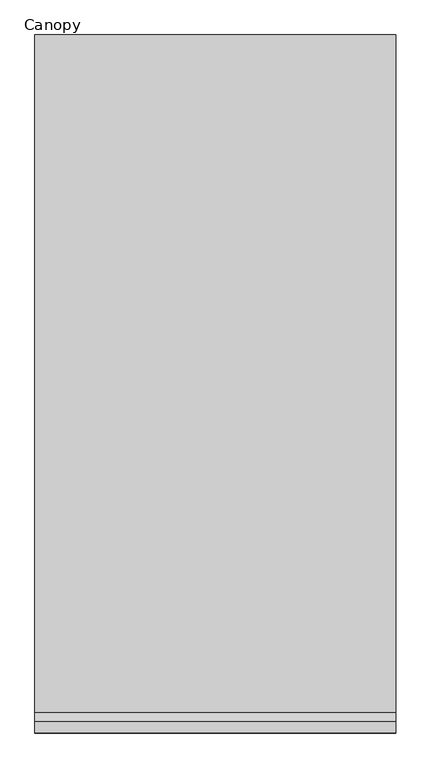
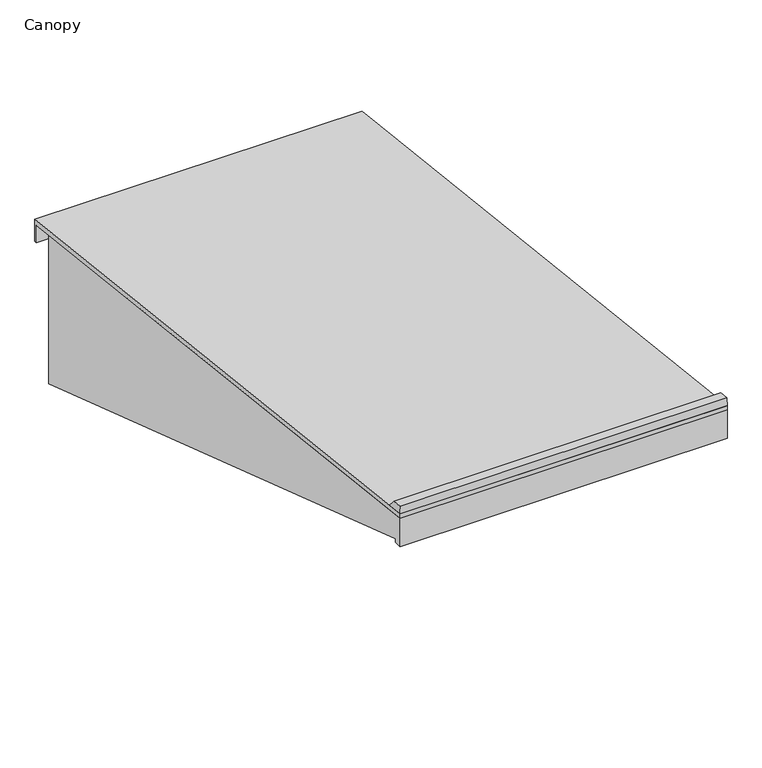
"""IFC4 building model written with IfcOpenShell, lengths in millimetres: proxy geometry, Canopy."""

from ifc_helpers import new_model, si_unit, frame, origin, place, context, project, spatial, polyline, outline, extrude, source, transform, mapped, element, save


def canopy_296fc421(model_context):
    return source(origin(), model_context, "Body", "SweptSolid", [
        extrude(outline(polyline([(-2992.4375, 3465.4132812), (-2990.7495361, 3503.569167), (-2940.1563087, 3497.7720264), (-2903.8993521, 3455.2682851), (-2992.4375, 3465.4132812)])), frame((-4267.2, 0.0, 0.0), z_axis=(1.0, 0.0, 0.0), x_axis=(0.0, 1.0, 0.0)), (0.0, 0.0, 1.0), 1574.8),
        extrude(outline(polyline([(55.5625, 3116.1632813), (55.5625, 3003.55), (42.8625, 3003.55), (42.8625, 3094.9484617), (-2992.4375, 3442.7432533), (-2992.4375, 3465.4132813), (55.5625, 3116.1632813)])), frame((-4267.2, 0.0, 0.0), z_axis=(1.0, 0.0, 0.0), x_axis=(0.0, 1.0, 0.0)), (0.0, 0.0, 1.0), 1574.8),
        extrude(outline(polyline([(-58.7375, 3106.5901283), (-58.7375, 2349.5), (-2954.3375, 3314.7), (-2954.3375, 3298.6776283), (-2992.4375, 3298.6776283), (-2992.4375, 3442.7432533), (-58.7375, 3106.5901283)])), frame((-4267.2, 0.0, 0.0), z_axis=(1.0, 0.0, 0.0), x_axis=(0.0, 1.0, 0.0)), (0.0, 0.0, 1.0), 1574.8),
    ])


if __name__ == "__main__":
    model = new_model("IFC4")
    model_context = context("Model", 3, world=origin())
    ifc_project = project(units=[si_unit("LENGTHUNIT", "METRE", prefix="MILLI")], contexts=[model_context])
    site = spatial("IfcSite", under=ifc_project)
    building = spatial("IfcBuilding", under=site)
    placement = place(None, origin())
    canopy_shape = canopy_296fc421(model_context)
    element("IfcBuildingElementProxy", 1, Name="Canopy", ObjectType="Canopy", at=placement, inside=building, context=model_context, shape_type="MappedRepresentation", body=[
        mapped(canopy_shape, transform((0.0, 0.0, 0.0), x_axis=(1.0, 0.0, 0.0), y_axis=(0.0, 1.0, 0.0), z_axis=(0.0, 0.0, 1.0))),
    ])
    save(model, "model.ifc")
